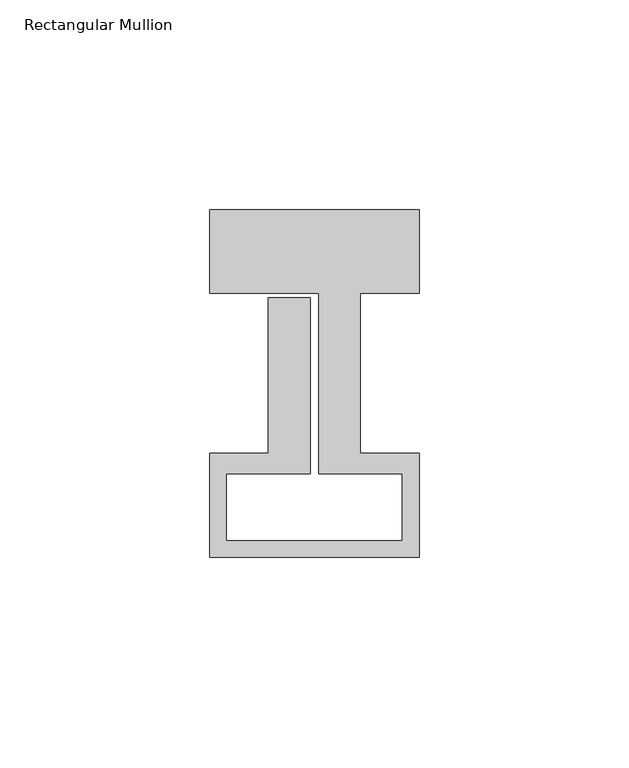
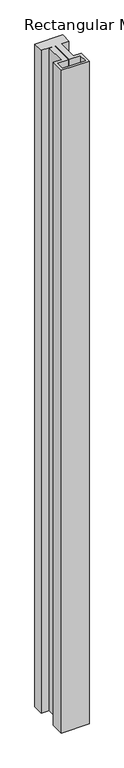
"""IFC4 building model written with IfcOpenShell, lengths in millimetres: member geometry, Rectangular Mullion."""

from ifc_helpers import new_model, si_unit, frame, origin, place, context, project, spatial, polyline, outline, extrude, source, transform, mapped, element, save


def rectangular_mullion_8085ae24(model_context):
    return source(origin(), model_context, "Body", "SweptSolid", [
        extrude(outline(polyline([(0.0, 58.0), (0.0, 38.0), (-14.0, 38.0), (-14.0, -0.1), (0.0, -0.1), (0.0, -25.0), (-50.0, -25.0), (-50.0, -0.1), (-36.0, -0.1), (-36.0, 37.0), (-26.0, 37.0), (-26.0, -5.0), (-46.0, -5.0), (-46.0, -21.0), (-4.0, -21.0), (-4.0, -5.0), (-24.0, -5.0), (-24.0, 38.0), (-50.0, 38.0), (-50.0, 58.0), (0.0, 58.0)])), frame((0.0, 0.0, -1268.0), z_axis=(0.0, 0.0, 1.0), x_axis=(1.0, 0.0, 0.0)), (0.0, 0.0, 1.0), 1268.0),
    ])


if __name__ == "__main__":
    model = new_model("IFC4")
    model_context = context("Model", 3, world=origin())
    ifc_project = project(units=[si_unit("LENGTHUNIT", "METRE", prefix="MILLI")], contexts=[model_context])
    site = spatial("IfcSite", under=ifc_project)
    building = spatial("IfcBuilding", under=site)
    placement = place(None, origin())
    rectangular_mullion_shape = rectangular_mullion_8085ae24(model_context)
    element("IfcMember", 1, ObjectType="Rectangular Mullion", at=placement, inside=building, context=model_context, shape_type="MappedRepresentation", body=[
        mapped(rectangular_mullion_shape, transform((0.0, 0.0, 0.0), x_axis=(1.0, 0.0, 0.0), y_axis=(0.0, 1.0, 0.0), z_axis=(0.0, 0.0, 1.0))),
    ])
    save(model, "model.ifc")
